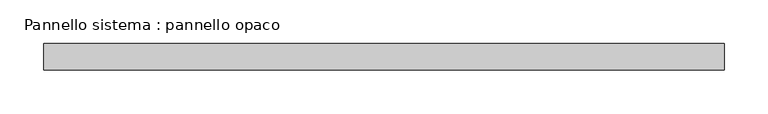
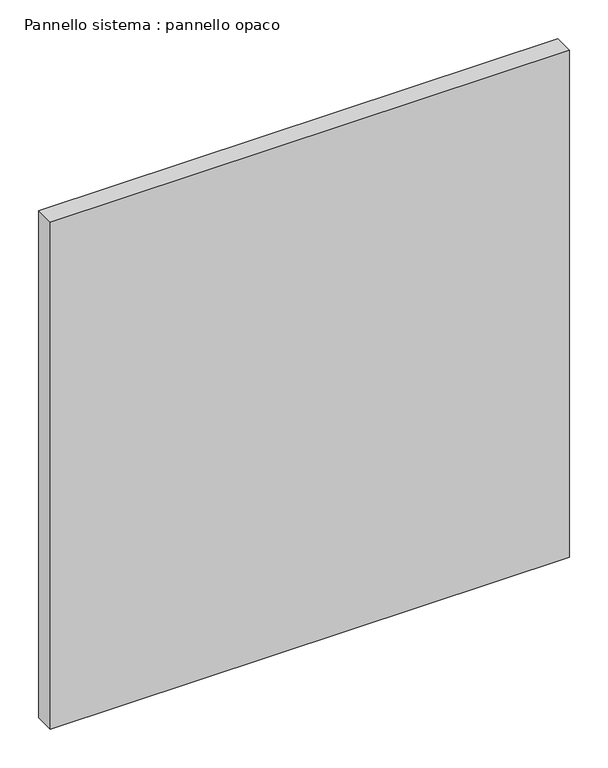
"""IFC4 building model written with IfcOpenShell, lengths in millimetres: plate geometry, Pannello sistema : pannello opaco."""

from ifc_helpers import new_model, si_unit, origin, origin_with_axes, place, context, project, spatial, polyline, outline, extrude, source, transform, mapped, element, save


def pannello_sistema_pannello_opaco_14c73da3(model_context):
    return source(origin(), model_context, "Body", "SweptSolid", [
        extrude(outline(polyline([(387.5000455, -15.0), (-387.5000455, -15.0), (-387.5000455, 15.0), (387.5000455, 15.0), (387.5000455, -15.0)])), origin_with_axes(), (0.0, 0.0, 1.0), 800.0),
    ])


if __name__ == "__main__":
    model = new_model("IFC4")
    model_context = context("Model", 3, world=origin())
    ifc_project = project(units=[si_unit("LENGTHUNIT", "METRE", prefix="MILLI")], contexts=[model_context])
    site = spatial("IfcSite", under=ifc_project)
    building = spatial("IfcBuilding", under=site)
    placement = place(None, origin())
    pannello_sistema_pannello_opaco_shape = pannello_sistema_pannello_opaco_14c73da3(model_context)
    element("IfcPlate", 1, ObjectType="Pannello sistema : pannello opaco", at=placement, inside=building, context=model_context, shape_type="MappedRepresentation", body=[
        mapped(pannello_sistema_pannello_opaco_shape, transform((0.0, 0.0, 0.0), x_axis=(1.0, 0.0, 0.0), y_axis=(0.0, 1.0, 0.0), z_axis=(0.0, 0.0, 1.0))),
    ])
    save(model, "model.ifc")
